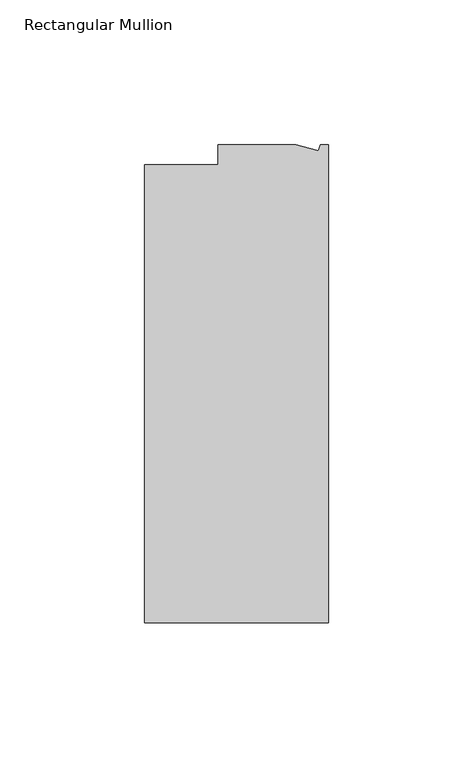
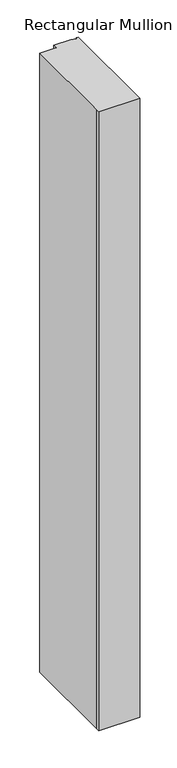
"""IFC4 building model written with IfcOpenShell, lengths in millimetres: member geometry, Rectangular Mullion."""

from ifc_helpers import new_model, si_unit, frame, origin, place, context, project, spatial, polyline, outline, extrude, source, transform, mapped, element, save


def rectangular_mullion_cfdf8a94(model_context):
    return source(origin(), model_context, "Body", "SweptSolid", [
        extrude(outline(polyline([(0.0, -131.0674452), (-63.5, -131.0674452), (-63.5, -124.7174452), (-63.5, 27.0729548), (-38.1, 27.0729548), (-38.1, 34.0325548), (-11.1125, 34.0325548), (-3.3223696, 31.9451957), (-2.7630634, 34.0325548), (0.0, 34.0325548), (0.0, -131.0674452)])), frame((0.0, 0.0, -1016.0), z_axis=(0.0, 0.0, 1.0), x_axis=(1.0, 0.0, 0.0)), (0.0, 0.0, 1.0), 1016.0),
    ])


if __name__ == "__main__":
    model = new_model("IFC4")
    model_context = context("Model", 3, world=origin())
    ifc_project = project(units=[si_unit("LENGTHUNIT", "METRE", prefix="MILLI")], contexts=[model_context])
    site = spatial("IfcSite", under=ifc_project)
    building = spatial("IfcBuilding", under=site)
    placement = place(None, origin())
    rectangular_mullion_shape = rectangular_mullion_cfdf8a94(model_context)
    element("IfcMember", 1, ObjectType="Rectangular Mullion", at=placement, inside=building, context=model_context, shape_type="MappedRepresentation", body=[
        mapped(rectangular_mullion_shape, transform((0.0, 0.0, 0.0), x_axis=(1.0, 0.0, 0.0), y_axis=(0.0, 1.0, 0.0), z_axis=(0.0, 0.0, 1.0))),
    ])
    save(model, "model.ifc")
